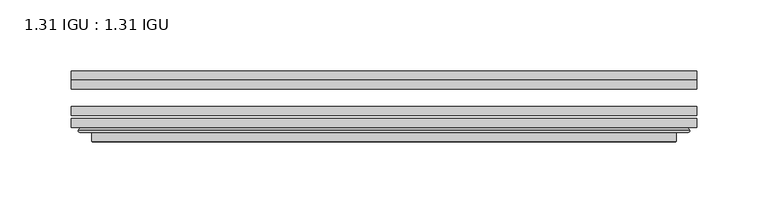
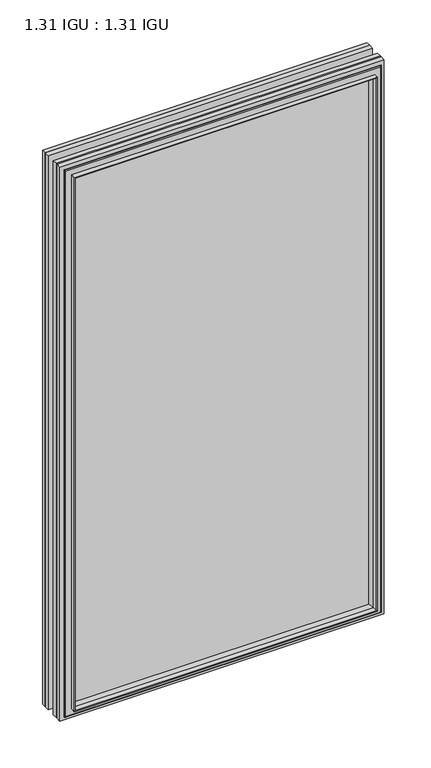
"""IFC4 building model written with IfcOpenShell, lengths in millimetres: plate geometry, 1.31 IGU : 1.31 IGU."""

from ifc_helpers import new_model, si_unit, frame, origin, place, context, project, spatial, polyline, ellipse_curve, outline, extrude, faceted_brep, source, transform, mapped, element, save
from ifc_brep_helpers import plane_surface, cylinder_surface, advanced_brep


def plate_1_31_igu_1_31_igu_99436027(model_context):
    return source(origin(), model_context, "Body", "SolidModel", [
        extrude(outline(polyline([(219.089175, -66.4725937), (219.089175, -72.8225938), (-219.075, -72.8225938), (-219.075, -66.4725937), (219.089175, -66.4725937)])), frame((0.0, 0.0, -14.2875), z_axis=(0.0, 0.0, 1.0), x_axis=(1.0, 0.0, 0.0)), (0.0, 0.0, 1.0), 790.5964726),
        extrude(outline(polyline([(-219.075, -81.4585938), (-219.075, -75.1080887), (219.089175, -75.1080887), (219.089175, -81.4585938), (-219.075, -81.4585938)])), frame((0.0, 0.0, -14.2875), z_axis=(0.0, 0.0, 1.0), x_axis=(1.0, 0.0, 0.0)), (0.0, 0.0, 1.0), 790.5964726),
        extrude(outline(polyline([(219.089175, -48.1337937), (219.089175, -54.4837938), (-219.075, -54.4837938), (-219.075, -48.1337937), (219.089175, -48.1337937)])), frame((0.0, 0.0, -14.2875), z_axis=(0.0, 0.0, 1.0), x_axis=(1.0, 0.0, 0.0)), (0.0, 0.0, 1.0), 790.5964726),
        faceted_brep([(-204.7821902, -41.7837938, 762.0123649), (-203.8897559, -48.1337937, 761.1199306), (-203.8897559, -48.1337937, 0.8977441), (-204.7821902, -41.7837938, 0.0053098), (-219.0877, -48.1337937, 776.3178747), (-219.0877, -41.7837938, 776.3178747), (-219.0877, -41.7837938, -14.3002), (-219.0877, -48.1337937, -14.3002), (203.8897559, -48.1337937, 0.8977441), (204.7821902, -41.7837938, 0.0053098), (219.0877, -41.7837938, -14.3002), (219.0877, -48.1337937, -14.3002), (203.8897559, -48.1337937, 761.1199306), (204.7821902, -41.7837938, 762.0123649), (219.0877, -41.7837938, 776.3178747), (219.0877, -48.1337937, 776.3178747)], [[[0, 1, 2, 3]], [[4, 5, 6, 7]], [[3, 2, 8, 9]], [[7, 6, 10, 11]], [[9, 8, 12, 13]], [[11, 10, 14, 15]], [[7, 11, 15, 4], [1, 12, 8, 2]], [[13, 12, 1, 0]], [[5, 14, 10, 6], [3, 9, 13, 0]], [[15, 14, 5, 4]]]),
        advanced_brep(
        [(-213.1861349, -84.6335938, 770.4163096), (-214.1879244, -83.4482604, 771.4180991), (-214.1879244, -83.4482604, -9.4004244), (-213.1861349, -84.6335938, -8.3986349), (-204.7820784, -91.0948368, 762.0122532), (-204.7820784, -84.6335938, 762.0122532), (-204.7820784, -84.6335938, 0.0054216), (-204.7820784, -91.0948368, 0.0054216), (-203.7914217, -90.6958619, 761.0215964), (-203.7914217, -90.6958619, 0.9960783), (-202.7593939, -85.2986307, 759.9895686), (-202.7593939, -85.2986307, 2.0281061), (-197.8245621, -81.4585938, 755.0547368), (-197.8245621, -81.4585938, 6.9629379), (-211.833719, -81.4585938, 769.0638938), (-211.833719, -81.4585938, -7.046219), (214.1879244, -83.4482604, -9.4004244), (213.1861349, -84.6335938, -8.3986349), (204.7820784, -84.6335938, 0.0054216), (204.7820784, -91.0948368, 0.0054216), (203.7914217, -90.6958619, 0.9960783), (202.7593939, -85.2986307, 2.0281061), (197.8245621, -81.4585938, 6.9629379), (211.833719, -81.4585938, -7.046219), (214.1879244, -83.4482604, 771.4180991), (213.1861349, -84.6335938, 770.4163096), (204.7820784, -84.6335938, 762.0122532), (204.7820784, -91.0948368, 762.0122532), (203.7914217, -90.6958619, 761.0215964), (202.7593939, -85.2986307, 759.9895686), (197.8245621, -81.4585938, 755.0547368), (211.833719, -81.4585938, 769.0638938)],
        [
            (0, 1, ellipse_curve(frame((-213.1861349, -83.6175938, 770.4163096), z_axis=(-0.7071067811865475, 0.0, -0.7071067811865475), x_axis=(-0.7071067811865474, 0.0, 0.7071067811865476)), 1.436841, 1.016)),
            (1, 2),
            (2, 3, ellipse_curve(frame((-213.1861349, -83.6175938, -8.3986349), z_axis=(-0.7071067811865475, 0.0, 0.7071067811865475), x_axis=(0.7071067811865474, 0.0, 0.7071067811865476)), 1.436841, 1.016)),
            (3, 0),
            (4, 5),
            (5, 6),
            (6, 7),
            (7, 4),
            (8, 4, ellipse_curve(frame((-204.4151219, -90.5766015, 761.6452966), z_axis=(-0.7071067811865475, 0.0, -0.7071067811865475), x_axis=(-0.7071067811865474, 0.0, 0.7071067811865476)), 0.8980256, 0.635)),
            (7, 9, ellipse_curve(frame((-204.4151219, -90.5766015, 0.3723781), z_axis=(-0.7071067811865475, 0.0, 0.7071067811865475), x_axis=(0.7071067811865474, 0.0, 0.7071067811865476)), 0.8980256, 0.635)),
            (9, 8),
            (10, 8),
            (9, 11),
            (11, 10),
            (12, 10),
            (11, 13),
            (13, 12),
            (1, 14, ellipse_curve(frame((-211.833719, -83.8461938, 769.0638938), z_axis=(-0.7071067811865475, 0.0, -0.7071067811865475), x_axis=(-0.7071067811865474, 0.0, 0.7071067811865476)), 3.3765763, 2.3876)),
            (14, 15),
            (15, 2, ellipse_curve(frame((-211.833719, -83.8461938, -7.046219), z_axis=(-0.7071067811865475, 0.0, 0.7071067811865475), x_axis=(0.7071067811865474, 0.0, 0.7071067811865476)), 3.3765763, 2.3876)),
            (2, 16),
            (16, 17, ellipse_curve(frame((213.1861349, -83.6175938, -8.3986349), z_axis=(-0.7071067811865475, 0.0, -0.7071067811865475), x_axis=(-0.7071067811865476, 0.0, 0.7071067811865474)), 1.436841, 1.016)),
            (17, 3),
            (6, 18),
            (18, 19),
            (19, 7),
            (19, 20, ellipse_curve(frame((204.4151219, -90.5766015, 0.3723781), z_axis=(-0.7071067811865475, 0.0, -0.7071067811865475), x_axis=(-0.7071067811865476, 0.0, 0.7071067811865474)), 0.8980256, 0.635)),
            (20, 9),
            (20, 21),
            (21, 11),
            (21, 22),
            (22, 13),
            (15, 23),
            (23, 16, ellipse_curve(frame((211.833719, -83.8461938, -7.046219), z_axis=(-0.7071067811865475, 0.0, -0.7071067811865475), x_axis=(-0.7071067811865476, 0.0, 0.7071067811865474)), 3.3765763, 2.3876)),
            (16, 24),
            (24, 25, ellipse_curve(frame((213.1861349, -83.6175938, 770.4163096), z_axis=(0.7071067811865475, 0.0, -0.7071067811865475), x_axis=(-0.7071067811865474, 0.0, -0.7071067811865476)), 1.436841, 1.016)),
            (25, 17),
            (18, 26),
            (26, 27),
            (27, 19),
            (27, 28, ellipse_curve(frame((204.4151219, -90.5766015, 761.6452966), z_axis=(0.7071067811865475, 0.0, -0.7071067811865475), x_axis=(-0.7071067811865474, 0.0, -0.7071067811865476)), 0.8980256, 0.635)),
            (28, 20),
            (28, 29),
            (29, 21),
            (29, 30),
            (30, 22),
            (23, 31),
            (31, 24, ellipse_curve(frame((211.833719, -83.8461938, 769.0638938), z_axis=(0.7071067811865475, 0.0, -0.7071067811865475), x_axis=(-0.7071067811865474, 0.0, -0.7071067811865476)), 3.3765763, 2.3876)),
            (24, 1),
            (0, 25),
            (5, 26),
            (4, 27),
            (8, 28),
            (10, 29),
            (12, 30),
            (14, 31),
        ],
        [
            cylinder_surface(frame((-213.1861349, -83.6175938, 793.7676747), z_axis=(0.0, 0.0, 1.0), x_axis=(-1.0, 0.0, 0.0)), 1.016),
            plane_surface(frame((-204.7820784, -84.6335938, 762.0122532), z_axis=(-1.0, 0.0, 0.0), x_axis=(0.0, 0.0, -1.0))),
            cylinder_surface(frame((-204.4151219, -90.5766015, 793.7676747), z_axis=(0.0, 0.0, 1.0), x_axis=(-1.0, 0.0, 0.0)), 0.635),
            plane_surface(frame((-203.7914217, -90.6958619, 761.0215964), z_axis=(0.9822050625507717, -0.1878116479338675, 0.0), x_axis=(0.0, 0.0, -1.0))),
            plane_surface(frame((-202.7593939, -85.2986307, 759.9895686), z_axis=(0.6141233906514726, -0.7892100234124875, 0.0), x_axis=(0.0, 0.0, -1.0))),
            cylinder_surface(frame((-211.833719, -83.8461938, 793.7676747), z_axis=(0.0, 0.0, 1.0), x_axis=(-1.0, 0.0, 0.0)), 2.3876),
            cylinder_surface(frame((-236.5375, -83.6175938, -8.3986349), z_axis=(-1.0, 0.0, 0.0), x_axis=(0.0, 0.0, -1.0)), 1.016),
            plane_surface(frame((-204.7820784, -84.6335938, 0.0054216), z_axis=(0.0, 0.0, -1.0), x_axis=(1.0, 0.0, 0.0))),
            cylinder_surface(frame((-236.5375, -90.5766015, 0.3723781), z_axis=(-1.0, 0.0, 0.0), x_axis=(0.0, 0.0, -1.0)), 0.635),
            plane_surface(frame((-203.7914217, -90.6958619, 0.9960783), z_axis=(0.0, -0.18781164793386435, 0.9822050625507722), x_axis=(1.0, 0.0, 0.0))),
            plane_surface(frame((-202.7593939, -85.2986307, 2.0281061), z_axis=(0.0, -0.7892100234124855, 0.6141233906514751), x_axis=(1.0, 0.0, 0.0))),
            cylinder_surface(frame((-236.5375, -83.8461938, -7.046219), z_axis=(-1.0, 0.0, 0.0), x_axis=(0.0, 0.0, -1.0)), 2.3876),
            cylinder_surface(frame((213.1861349, -83.6175938, -31.75), z_axis=(0.0, 0.0, -1.0), x_axis=(1.0, 0.0, 0.0)), 1.016),
            plane_surface(frame((204.7820784, -84.6335938, 0.0054216), z_axis=(1.0, 0.0, 0.0), x_axis=(0.0, 0.0, 1.0))),
            cylinder_surface(frame((204.4151219, -90.5766015, -31.75), z_axis=(0.0, 0.0, -1.0), x_axis=(1.0, 0.0, 0.0)), 0.635),
            plane_surface(frame((203.7914217, -90.6958619, 0.9960783), z_axis=(-0.9822050625507728, -0.18781164793386118, 0.0), x_axis=(0.0, 0.0, 1.0))),
            plane_surface(frame((202.7593939, -85.2986307, 2.0281061), z_axis=(-0.6141233906514777, -0.7892100234124835, 0.0), x_axis=(0.0, 0.0, 1.0))),
            cylinder_surface(frame((211.833719, -83.8461938, -31.75), z_axis=(0.0, 0.0, -1.0), x_axis=(1.0, 0.0, 0.0)), 2.3876),
            cylinder_surface(frame((236.5375, -83.6175938, 770.4163096), z_axis=(1.0, 0.0, 0.0), x_axis=(0.0, 0.0, 1.0)), 1.016),
            plane_surface(frame((213.1861349, -84.6335938, 770.4163096), z_axis=(0.0, -1.0, 0.0), x_axis=(-1.0, 0.0, 0.0))),
            plane_surface(frame((204.7820784, -84.6335938, 762.0122532), z_axis=(0.0, 0.0, 1.0), x_axis=(-1.0, 0.0, 0.0))),
            cylinder_surface(frame((236.5375, -90.5766015, 761.6452966), z_axis=(1.0, 0.0, 0.0), x_axis=(0.0, 0.0, 1.0)), 0.635),
            plane_surface(frame((203.7914217, -90.6958619, 761.0215964), z_axis=(0.0, -0.18781164793386435, -0.9822050625507722), x_axis=(-1.0, 0.0, 0.0))),
            plane_surface(frame((202.7593939, -85.2986307, 759.9895686), z_axis=(0.0, -0.7892100234124855, -0.6141233906514751), x_axis=(-1.0, 0.0, 0.0))),
            plane_surface(frame((197.8245621, -81.4585938, 755.0547368), z_axis=(0.0, 1.0, 0.0), x_axis=(-1.0, 0.0, 0.0))),
            cylinder_surface(frame((236.5375, -83.8461938, 769.0638938), z_axis=(1.0, 0.0, 0.0), x_axis=(0.0, 0.0, 1.0)), 2.3876),
        ],
        [
            (0, [[1, 2, 3, 4]]),
            (1, [[5, 6, 7, 8]]),
            (2, [[9, -8, 10, 11]]),
            (3, [[12, -11, 13, 14]]),
            (4, [[15, -14, 16, 17]]),
            (5, [[18, 19, 20, -2]]),
            (6, [[-3, 21, 22, 23]]),
            (7, [[-7, 24, 25, 26]]),
            (8, [[-10, -26, 27, 28]]),
            (9, [[-13, -28, 29, 30]]),
            (10, [[-16, -30, 31, 32]]),
            (11, [[-20, 33, 34, -21]]),
            (12, [[-22, 35, 36, 37]]),
            (13, [[-25, 38, 39, 40]]),
            (14, [[-27, -40, 41, 42]]),
            (15, [[-29, -42, 43, 44]]),
            (16, [[-31, -44, 45, 46]]),
            (17, [[-34, 47, 48, -35]]),
            (18, [[-36, 49, -1, 50]]),
            (19, [[-23, -37, -50, -4], [51, -38, -24, -6]]),
            (20, [[-39, -51, -5, 52]]),
            (21, [[-41, -52, -9, 53]]),
            (22, [[-43, -53, -12, 54]]),
            (23, [[-45, -54, -15, 55]]),
            (24, [[56, -47, -33, -19], [-32, -46, -55, -17]]),
            (25, [[-48, -56, -18, -49]]),
        ],
    ),
    ])


if __name__ == "__main__":
    model = new_model("IFC4")
    model_context = context("Model", 3, world=origin())
    ifc_project = project(units=[si_unit("LENGTHUNIT", "METRE", prefix="MILLI")], contexts=[model_context])
    site = spatial("IfcSite", under=ifc_project)
    building = spatial("IfcBuilding", under=site)
    placement = place(None, origin())
    plate_1_31_igu_1_31_igu_shape = plate_1_31_igu_1_31_igu_99436027(model_context)
    element("IfcPlate", 1, ObjectType="1.31 IGU : 1.31 IGU", at=placement, inside=building, context=model_context, shape_type="MappedRepresentation", body=[
        mapped(plate_1_31_igu_1_31_igu_shape, transform((0.0, 0.0, 0.0), x_axis=(1.0, 0.0, 0.0), y_axis=(0.0, 1.0, 0.0), z_axis=(0.0, 0.0, 1.0))),
    ])
    save(model, "model.ifc")
